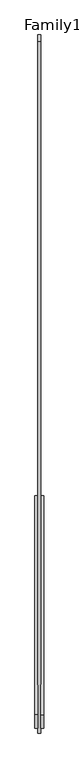
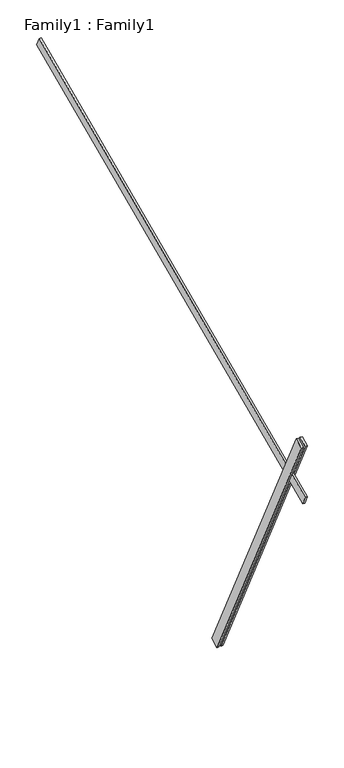
"""IFC4 building model written with IfcOpenShell, lengths in millimetres: proxy geometry, Family1 : Family1."""

from ifc_helpers import new_model, si_unit, frame, origin, place, context, project, spatial, polyline, outline, extrude, source, transform, mapped, element, save


def family1_family1_50ccb58e(model_context):
    return source(origin(), model_context, "Body", "SweptSolid", [
        extrude(outline(polyline([(0.0, 0.0), (-100.0000001, 0.0), (-100.0000001, 20.0), (0.0, 20.0), (0.0, 0.0)])), frame((-30.0, -46.3241747, -22.5938096), z_axis=(0.0, -0.4383711467890692, 0.8987940462991711), x_axis=(0.0, -0.8987940462991711, -0.4383711467890692)), (0.0, 0.0, 1.0), 3300.0),
        extrude(outline(polyline([(0.0, 0.0), (-99.9999999, 0.0), (-99.9999999, 20.0), (0.0, 20.0), (0.0, 0.0)])), frame((10.0, -45.270232, -22.0797674), z_axis=(0.0, -0.4383711467890692, 0.8987940462991711), x_axis=(0.0, -0.8987940462991711, -0.4383711467890692)), (0.0, 0.0, 1.0), 3300.0),
        extrude(outline(polyline([(0.0, 20.0), (5000.0, 20.0), (5000.0, 0.0), (0.0, 0.0), (0.0, 20.0)])), frame((-10.0, 3084.9739451, 4381.9015557), z_axis=(0.0, -0.4067366430758026, 0.9135454576426), x_axis=(0.0, -0.9135454576426, -0.4067366430758026)), (0.0, 0.0, 1.0), 100.0),
    ])


if __name__ == "__main__":
    model = new_model("IFC4")
    model_context = context("Model", 3, world=origin())
    ifc_project = project(units=[si_unit("LENGTHUNIT", "METRE", prefix="MILLI")], contexts=[model_context])
    site = spatial("IfcSite", under=ifc_project)
    building = spatial("IfcBuilding", under=site)
    placement = place(None, origin())
    family1_family1_shape = family1_family1_50ccb58e(model_context)
    element("IfcBuildingElementProxy", 1, Name="Family1 : Family1", ObjectType="Family1 : Family1", at=placement, inside=building, context=model_context, shape_type="MappedRepresentation", body=[
        mapped(family1_family1_shape, transform((0.0, 0.0, 0.0), x_axis=(1.0, 0.0, 0.0), y_axis=(0.0, 1.0, 0.0), z_axis=(0.0, 0.0, 1.0))),
    ])
    save(model, "model.ifc")
